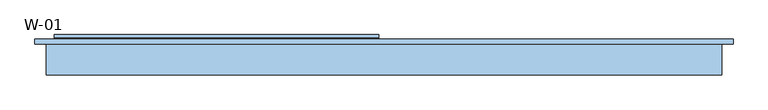
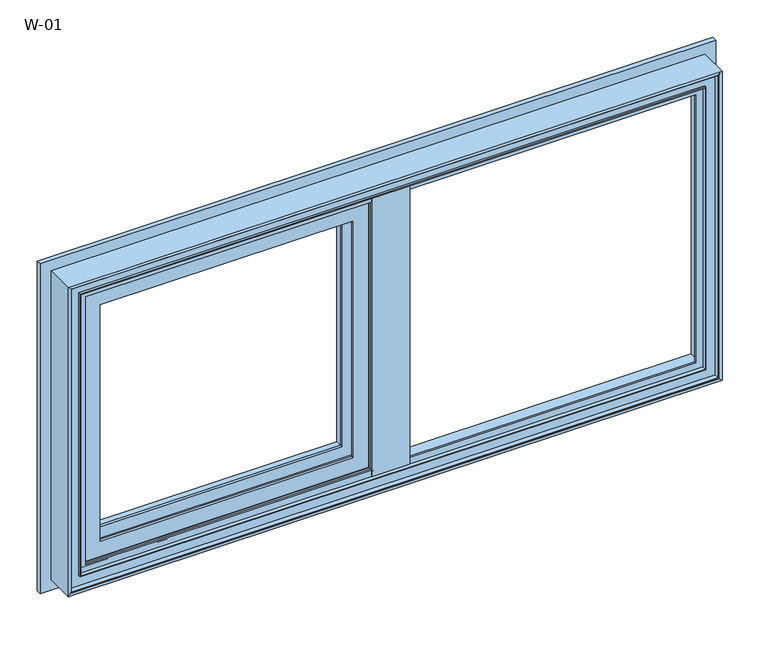
"""IFC4 building model written with IfcOpenShell, lengths in millimetres: window geometry, W-01."""

from ifc_helpers import new_model, si_unit, frame, origin, place, context, project, spatial, polyline, ellipse_curve, outline, extrude, source, transform, mapped, element, save
from ifc_brep_helpers import plane_surface, cylinder_surface, revolved_surface, advanced_brep


def w_01_d34992f1(model_context):
    return source(origin(), model_context, "Body", "SolidModel", [
        advanced_brep(
        [(-9.1411349, 121.9999121, 1985.8588651), (-9.1411349, 121.9999121, 1414.1411349), (-9.1411349, 126.5999121, 1414.1411349), (-9.1411349, 126.5999121, 1985.8588651), (-585.8588651, 126.5999121, 1985.8588651), (-585.8588651, 126.5999121, 1414.1411349), (-45.6411349, 126.5999121, 1949.3588651), (-549.3588651, 126.5999121, 1949.3588651), (-549.3588651, 126.5999121, 1450.6411349), (-45.6411349, 126.5999121, 1450.6411349), (-585.8588651, 121.9999121, 1414.1411349), (-585.8588651, 121.9999121, 1985.8588651), (-583.7537664, 121.9999121, 1983.7537664), (-11.2462336, 121.9999121, 1983.7537664), (-11.2462336, 121.9999121, 1416.2462336), (-583.7537664, 121.9999121, 1416.2462336), (-8.5362852, 119.9946866, 1986.4637148), (-8.5362852, 119.9946866, 1413.5362852), (-586.4637148, 119.9946866, 1413.5362852), (-7.7913127, 118.9999537, 1987.2086873), (-7.7913127, 118.9999537, 1412.7913127), (-587.2086873, 118.9999537, 1412.7913127), (-587.2086873, 118.9999537, 1987.2086873), (-568.3588678, 118.9999537, 1968.3588678), (-26.6411322, 118.9999537, 1968.3588678), (-26.6411322, 118.9999537, 1431.6411322), (-568.3588678, 118.9999537, 1431.6411322), (-26.6411322, 76.0999005, 1968.3588678), (-26.6411322, 76.0999005, 1431.6411322), (-568.3588678, 76.0999005, 1431.6411322), (-27.1411321, 75.5999006, 1967.8588679), (-27.1411321, 75.5999006, 1432.1411321), (-567.8588679, 75.5999006, 1432.1411321), (-26.855777, 74.6078271, 1968.144223), (-26.855777, 74.6078271, 1431.855777), (-568.144223, 74.6078271, 1431.855777), (-29.5652096, 72.6034445, 1965.4347904), (-29.5652096, 72.6034445, 1434.5652096), (-565.4347904, 72.6034445, 1434.5652096), (-565.4347904, 72.6034445, 1965.4347904), (-562.0349667, 72.6034445, 1962.0349667), (-32.9650333, 72.6034445, 1962.0349667), (-32.9650333, 72.6034445, 1437.9650333), (-562.0349667, 72.6034445, 1437.9650333), (-36.1945677, 74.6078271, 1958.8054323), (-36.1945677, 74.6078271, 1441.1945677), (-558.8054323, 74.6078271, 1441.1945677), (-36.659424, 75.5999039, 1958.340576), (-36.659424, 75.5999039, 1441.659424), (-558.340576, 75.5999039, 1441.659424), (-558.340576, 75.5999039, 1958.340576), (-529.3588709, 75.5999039, 1929.3588709), (-65.6411291, 75.5999039, 1929.3588709), (-65.6411291, 75.5999039, 1470.6411291), (-529.3588709, 75.5999039, 1470.6411291), (-65.6411291, 80.1999039, 1929.3588709), (-65.6411291, 80.1999039, 1470.6411291), (-529.3588709, 80.1999039, 1470.6411291), (-549.3588651, 80.1999039, 1949.3588651), (-45.6411349, 80.1999039, 1949.3588651), (-45.6411349, 80.1999039, 1450.6411349), (-549.3588651, 80.1999039, 1450.6411349), (-529.3588709, 80.1999039, 1929.3588709), (-586.4637148, 119.9946866, 1986.4637148), (-568.3588678, 76.0999005, 1968.3588678), (-567.8588679, 75.5999006, 1967.8588679), (-568.144223, 74.6078271, 1968.144223), (-558.8054323, 74.6078271, 1958.8054323)],
        [
            (0, 1),
            (1, 2),
            (2, 3),
            (3, 0),
            (4, 3),
            (2, 5),
            (5, 4),
            (6, 7),
            (7, 8),
            (8, 9),
            (9, 6),
            (1, 10),
            (10, 5),
            (0, 11),
            (11, 10),
            (12, 13),
            (13, 14),
            (14, 15),
            (15, 12),
            (16, 17),
            (17, 14, ellipse_curve(frame((-7.4151568, 124.3436113, 1412.4151568), z_axis=(-0.7071067811865475, 0.0, -0.7071067811865475), x_axis=(0.7071067811865474, 0.0, -0.7071067811865476)), 6.3513896, 4.4911107)),
            (13, 16, ellipse_curve(frame((-7.4151568, 124.3436113, 1987.5848432), z_axis=(-0.7071067811865475, 0.0, 0.7071067811865475), x_axis=(-0.7071067811865474, 0.0, -0.7071067811865476)), 6.3513896, 4.4911107)),
            (17, 18),
            (18, 15, ellipse_curve(frame((-587.5848432, 124.3436113, 1412.4151568), z_axis=(-0.7071067811865475, 0.0, 0.7071067811865475), x_axis=(-0.7071067811865476, 0.0, -0.7071067811865474)), 6.3513896, 4.4911107)),
            (19, 20),
            (20, 17),
            (16, 19),
            (20, 21),
            (21, 18),
            (19, 22),
            (22, 21),
            (23, 24),
            (24, 25),
            (25, 26),
            (26, 23),
            (27, 28),
            (28, 25),
            (24, 27),
            (28, 29),
            (29, 26),
            (30, 31),
            (31, 28, ellipse_curve(frame((-27.1411321, 76.0999005, 1432.1411321), z_axis=(0.7071067811865475, 0.0, 0.7071067811865475), x_axis=(-0.7071067811865474, 0.0, 0.7071067811865476)), 0.7071066, 0.4999999)),
            (27, 30, ellipse_curve(frame((-27.1411321, 76.0999005, 1967.8588679), z_axis=(0.7071067811865475, 0.0, -0.7071067811865475), x_axis=(0.7071067811865474, 0.0, 0.7071067811865476)), 0.7071066, 0.4999999)),
            (31, 32),
            (32, 29, ellipse_curve(frame((-567.8588679, 76.0999005, 1432.1411321), z_axis=(0.7071067811865475, 0.0, -0.7071067811865475), x_axis=(0.7071067811865476, 0.0, 0.7071067811865474)), 0.7071066, 0.4999999)),
            (33, 34),
            (34, 31),
            (30, 33),
            (34, 35),
            (35, 32),
            (36, 37),
            (37, 34, ellipse_curve(frame((-25.7346486, 70.2589024, 1430.7346486), z_axis=(-0.7071067811865475, 0.0, -0.7071067811865475), x_axis=(0.7071067811865474, 0.0, -0.7071067811865476)), 6.3513896, 4.4911107)),
            (33, 36, ellipse_curve(frame((-25.7346486, 70.2589024, 1969.2653514), z_axis=(-0.7071067811865475, 0.0, 0.7071067811865475), x_axis=(-0.7071067811865474, 0.0, -0.7071067811865476)), 6.3513896, 4.4911107)),
            (37, 38),
            (38, 35, ellipse_curve(frame((-569.2653514, 70.2589024, 1430.7346486), z_axis=(-0.7071067811865475, 0.0, 0.7071067811865475), x_axis=(-0.7071067811865476, 0.0, -0.7071067811865474)), 6.3513896, 4.4911107)),
            (36, 39),
            (39, 38),
            (40, 41),
            (41, 42),
            (42, 43),
            (43, 40),
            (44, 45),
            (45, 42, ellipse_curve(frame((-36.4459086, 70.5988943, 1441.4459086), z_axis=(-0.7071067811865475, 0.0, -0.7071067811865475), x_axis=(0.7071067811865474, 0.0, -0.7071067811865476)), 5.6806187, 4.016804)),
            (41, 44, ellipse_curve(frame((-36.4459086, 70.5988943, 1958.5540914), z_axis=(-0.7071067811865475, 0.0, 0.7071067811865475), x_axis=(-0.7071067811865474, 0.0, -0.7071067811865476)), 5.6806187, 4.016804)),
            (45, 46),
            (46, 43, ellipse_curve(frame((-558.5540914, 70.5988943, 1441.4459086), z_axis=(-0.7071067811865475, 0.0, 0.7071067811865475), x_axis=(-0.7071067811865476, 0.0, -0.7071067811865474)), 5.6806187, 4.016804)),
            (47, 48),
            (48, 45),
            (44, 47),
            (48, 49),
            (49, 46),
            (47, 50),
            (50, 49),
            (51, 52),
            (52, 53),
            (53, 54),
            (54, 51),
            (55, 56),
            (56, 53),
            (52, 55),
            (56, 57),
            (57, 54),
            (58, 59),
            (59, 60),
            (60, 61),
            (61, 58),
            (55, 62),
            (62, 57),
            (9, 60),
            (59, 6),
            (8, 61),
            (11, 4),
            (18, 63),
            (63, 12, ellipse_curve(frame((-587.5848432, 124.3436113, 1987.5848432), z_axis=(0.7071067811865475, 0.0, 0.7071067811865475), x_axis=(-0.7071067811865474, 0.0, 0.7071067811865476)), 6.3513896, 4.4911107)),
            (22, 63),
            (29, 64),
            (64, 23),
            (32, 65),
            (65, 64, ellipse_curve(frame((-567.8588679, 76.0999005, 1967.8588679), z_axis=(-0.7071067811865475, 0.0, -0.7071067811865475), x_axis=(0.7071067811865474, 0.0, -0.7071067811865476)), 0.7071066, 0.4999999)),
            (35, 66),
            (66, 65),
            (39, 66, ellipse_curve(frame((-569.2653514, 70.2589024, 1969.2653514), z_axis=(0.7071067811865475, 0.0, 0.7071067811865475), x_axis=(-0.7071067811865474, 0.0, 0.7071067811865476)), 6.3513896, 4.4911107)),
            (46, 67),
            (67, 40, ellipse_curve(frame((-558.5540914, 70.5988943, 1958.5540914), z_axis=(0.7071067811865475, 0.0, 0.7071067811865475), x_axis=(-0.7071067811865474, 0.0, 0.7071067811865476)), 5.6806187, 4.016804)),
            (50, 67),
            (62, 51),
            (7, 58),
            (63, 16),
            (64, 27),
            (65, 30),
            (66, 33),
            (67, 44),
        ],
        [
            plane_surface(frame((-9.1411349, 126.5999121, 1985.8588651), z_axis=(1.0, 0.0, 0.0), x_axis=(0.0, 0.0, -1.0))),
            plane_surface(frame((-549.3588651, 126.5999121, 1450.6411349), z_axis=(0.0, 1.0, 0.0), x_axis=(0.0, 0.0, 1.0))),
            plane_surface(frame((-9.1411349, 126.5999121, 1414.1411349), z_axis=(0.0, 0.0, -1.0), x_axis=(-1.0, 0.0, 0.0))),
            plane_surface(frame((-585.8588651, 121.9999121, 1414.1411349), z_axis=(0.0, -1.0, 0.0), x_axis=(0.0, 0.0, 1.0))),
            revolved_surface(polyline([(-2.9240461, 124.3436113, 1407.9240461438822), (-2.9240461, 124.3436113, 1992.0759538561178)]), (-7.4151568, 124.3436113, 2000.0), (0.0, 0.0, -1.0)),
            revolved_surface(polyline([(-592.0759538561177, 124.3436113, 1407.9240461), (-2.924046143882287, 124.3436113, 1407.9240461)]), (5.0, 124.3436113, 1412.4151568), (-1.0, 0.0, 0.0)),
            plane_surface(frame((-8.5362852, 119.9946866, 1986.4637148), z_axis=(0.8004158635848707, 0.5994451145198247, 0.0), x_axis=(0.0, 0.0, -1.0))),
            plane_surface(frame((-8.5362852, 119.9946866, 1413.5362852), z_axis=(0.0, 0.5994451145198296, -0.800415863584867), x_axis=(-1.0, 0.0, 0.0))),
            plane_surface(frame((-587.2086873, 118.9999537, 1412.7913127), z_axis=(0.0, -1.0, 0.0), x_axis=(0.0, 0.0, 1.0))),
            plane_surface(frame((-26.6411322, 118.9999537, 1968.3588678), z_axis=(1.0, 0.0, 0.0), x_axis=(0.0, 0.0, -1.0))),
            plane_surface(frame((-26.6411322, 118.9999537, 1431.6411322), z_axis=(0.0, 0.0, -1.0), x_axis=(-1.0, 0.0, 0.0))),
            cylinder_surface(frame((-27.1411321, 76.0999005, 2000.0), z_axis=(0.0, 0.0, 1.0), x_axis=(1.0, 0.0, 0.0)), 0.4999999),
            cylinder_surface(frame((5.0, 76.0999005, 1432.1411321), z_axis=(1.0, 0.0, 0.0), x_axis=(0.0, 0.0, -1.0)), 0.4999999),
            plane_surface(frame((-27.1411321, 75.5999006, 1967.8588679), z_axis=(0.9610348327667624, 0.27642729642522856, 0.0), x_axis=(0.0, 0.0, -1.0))),
            plane_surface(frame((-27.1411321, 75.5999006, 1432.1411321), z_axis=(0.0, 0.27642729642523445, -0.9610348327667607), x_axis=(-1.0, 0.0, 0.0))),
            revolved_surface(polyline([(-21.2435379, 70.2589024, 1426.243537943882), (-21.2435379, 70.2589024, 1973.756462056118)]), (-25.7346486, 70.2589024, 2000.0), (0.0, 0.0, -1.0)),
            revolved_surface(polyline([(-573.7564620561177, 70.2589024, 1426.2435378999999), (-21.243537943882288, 70.2589024, 1426.2435378999999)]), (5.0, 70.2589024, 1430.7346486), (-1.0, 0.0, 0.0)),
            plane_surface(frame((-565.4347904, 72.6034445, 1434.5652096), z_axis=(0.0, -1.0, 0.0), x_axis=(0.0, 0.0, 1.0))),
            revolved_surface(polyline([(-32.4291046, 70.5988943, 1437.4291045958948), (-32.4291046, 70.5988943, 1962.5708954041052)]), (-36.4459086, 70.5988943, 2000.0), (0.0, 0.0, -1.0)),
            revolved_surface(polyline([(-562.570895404105, 70.5988943, 1437.4291045999998), (-32.42910459589489, 70.5988943, 1437.4291045999998)]), (5.0, 70.5988943, 1441.4459086), (-1.0, 0.0, 0.0)),
            plane_surface(frame((-36.1945677, 74.6078271, 1958.8054323), z_axis=(-0.9055219642805072, -0.4242993898246519, 0.0), x_axis=(0.0, 0.0, -1.0))),
            plane_surface(frame((-36.1945677, 74.6078271, 1441.1945677), z_axis=(0.0, -0.4242993898246574, 0.9055219642805047), x_axis=(-1.0, 0.0, 0.0))),
            plane_surface(frame((-558.340576, 75.5999039, 1441.659424), z_axis=(0.0, -1.0, 0.0), x_axis=(0.0, 0.0, 1.0))),
            plane_surface(frame((-65.6411291, 75.5999039, 1929.3588709), z_axis=(-1.0, 0.0, 0.0), x_axis=(0.0, 0.0, -1.0))),
            plane_surface(frame((-65.6411291, 75.5999039, 1470.6411291), z_axis=(0.0, 0.0, 1.0), x_axis=(-1.0, 0.0, 0.0))),
            plane_surface(frame((-529.3588709, 80.1999039, 1470.6411291), z_axis=(0.0, 1.0, 0.0), x_axis=(0.0, 0.0, 1.0))),
            plane_surface(frame((-45.6411349, 80.1999039, 1949.3588651), z_axis=(-1.0, 0.0, 0.0), x_axis=(0.0, 0.0, -1.0))),
            plane_surface(frame((-45.6411349, 80.1999039, 1450.6411349), z_axis=(0.0, 0.0, 1.0), x_axis=(-1.0, 0.0, 0.0))),
            plane_surface(frame((-585.8588651, 126.5999121, 1414.1411349), z_axis=(-1.0, 0.0, 0.0), x_axis=(0.0, 0.0, 1.0))),
            revolved_surface(polyline([(-592.0759539000001, 124.3436113, 1992.0759538561178), (-592.0759539000001, 124.3436113, 1407.9240461438822)]), (-587.5848432, 124.3436113, 1400.0), (0.0, 0.0, 1.0)),
            plane_surface(frame((-586.4637148, 119.9946866, 1413.5362852), z_axis=(-0.8004158635848634, 0.5994451145198345, 0.0), x_axis=(0.0, 0.0, 1.0))),
            plane_surface(frame((-568.3588678, 118.9999537, 1431.6411322), z_axis=(-1.0, 0.0, 0.0), x_axis=(0.0, 0.0, 1.0))),
            cylinder_surface(frame((-567.8588679, 76.0999005, 1400.0), z_axis=(0.0, 0.0, -1.0), x_axis=(-1.0, 0.0, 0.0)), 0.4999999),
            plane_surface(frame((-567.8588679, 75.5999006, 1432.1411321), z_axis=(-0.961034832766759, 0.27642729642524033, 0.0), x_axis=(0.0, 0.0, 1.0))),
            revolved_surface(polyline([(-573.7564621, 70.2589024, 1973.756462056118), (-573.7564621, 70.2589024, 1426.243537943882)]), (-569.2653514, 70.2589024, 1400.0), (0.0, 0.0, 1.0)),
            revolved_surface(polyline([(-562.5708953999999, 70.5988943, 1962.5708954041052), (-562.5708953999999, 70.5988943, 1437.4291045958948)]), (-558.5540914, 70.5988943, 1400.0), (0.0, 0.0, 1.0)),
            plane_surface(frame((-558.8054323, 74.6078271, 1441.1945677), z_axis=(0.9055219642805021, -0.424299389824663, 0.0), x_axis=(0.0, 0.0, 1.0))),
            plane_surface(frame((-529.3588709, 75.5999039, 1470.6411291), z_axis=(1.0, 0.0, 0.0), x_axis=(0.0, 0.0, 1.0))),
            plane_surface(frame((-549.3588651, 80.1999039, 1450.6411349), z_axis=(1.0, 0.0, 0.0), x_axis=(0.0, 0.0, 1.0))),
            plane_surface(frame((-585.8588651, 126.5999121, 1985.8588651), z_axis=(0.0, 0.0, 1.0), x_axis=(1.0, 0.0, 0.0))),
            revolved_surface(polyline([(-2.924046143882265, 124.3436113, 1992.0759539), (-592.0759538561177, 124.3436113, 1992.0759539)]), (-600.0, 124.3436113, 1987.5848432), (1.0, 0.0, 0.0)),
            plane_surface(frame((-586.4637148, 119.9946866, 1986.4637148), z_axis=(0.0, 0.5994451145198296, 0.800415863584867), x_axis=(1.0, 0.0, 0.0))),
            plane_surface(frame((-568.3588678, 118.9999537, 1968.3588678), z_axis=(0.0, 0.0, 1.0), x_axis=(1.0, 0.0, 0.0))),
            cylinder_surface(frame((-600.0, 76.0999005, 1967.8588679), z_axis=(-1.0, 0.0, 0.0), x_axis=(0.0, 0.0, 1.0)), 0.4999999),
            plane_surface(frame((-567.8588679, 75.5999006, 1967.8588679), z_axis=(0.0, 0.27642729642523445, 0.9610348327667607), x_axis=(1.0, 0.0, 0.0))),
            revolved_surface(polyline([(-21.243537943882302, 70.2589024, 1973.7564621000001), (-573.7564620561177, 70.2589024, 1973.7564621000001)]), (-600.0, 70.2589024, 1969.2653514), (1.0, 0.0, 0.0)),
            revolved_surface(polyline([(-32.429104595894955, 70.5988943, 1962.5708954000002), (-562.570895404105, 70.5988943, 1962.5708954000002)]), (-600.0, 70.5988943, 1958.5540914), (1.0, 0.0, 0.0)),
            plane_surface(frame((-558.8054323, 74.6078271, 1958.8054323), z_axis=(0.0, -0.4242993898246574, -0.9055219642805047), x_axis=(1.0, 0.0, 0.0))),
            plane_surface(frame((-529.3588709, 75.5999039, 1929.3588709), z_axis=(0.0, 0.0, -1.0), x_axis=(1.0, 0.0, 0.0))),
            plane_surface(frame((-549.3588651, 80.1999039, 1949.3588651), z_axis=(0.0, 0.0, -1.0), x_axis=(1.0, 0.0, 0.0))),
        ],
        [
            (0, [[1, 2, 3, 4]]),
            (1, [[5, -3, 6, 7], [8, 9, 10, 11]]),
            (2, [[12, 13, -6, -2]]),
            (3, [[14, 15, -12, -1], [16, 17, 18, 19]]),
            (4, [[20, 21, -17, 22]]),
            (5, [[23, 24, -18, -21]]),
            (6, [[25, 26, -20, 27]]),
            (7, [[28, 29, -23, -26]]),
            (8, [[30, 31, -28, -25], [32, 33, 34, 35]]),
            (9, [[36, 37, -33, 38]]),
            (10, [[39, 40, -34, -37]]),
            (11, [[41, 42, -36, 43]]),
            (12, [[44, 45, -39, -42]]),
            (13, [[46, 47, -41, 48]]),
            (14, [[49, 50, -44, -47]]),
            (15, [[51, 52, -46, 53]]),
            (16, [[54, 55, -49, -52]]),
            (17, [[56, 57, -54, -51], [58, 59, 60, 61]]),
            (18, [[62, 63, -59, 64]]),
            (19, [[65, 66, -60, -63]]),
            (20, [[67, 68, -62, 69]]),
            (21, [[70, 71, -65, -68]]),
            (22, [[72, 73, -70, -67], [74, 75, 76, 77]]),
            (23, [[78, 79, -75, 80]]),
            (24, [[81, 82, -76, -79]]),
            (25, [[83, 84, 85, 86], [87, 88, -81, -78]]),
            (26, [[-11, 89, -84, 90]]),
            (27, [[-10, 91, -85, -89]]),
            (28, [[-15, 92, -7, -13]]),
            (29, [[93, 94, -19, -24]]),
            (30, [[-31, 95, -93, -29]]),
            (31, [[96, 97, -35, -40]]),
            (32, [[98, 99, -96, -45]]),
            (33, [[100, 101, -98, -50]]),
            (34, [[-57, 102, -100, -55]]),
            (35, [[103, 104, -61, -66]]),
            (36, [[-73, 105, -103, -71]]),
            (37, [[-88, 106, -77, -82]]),
            (38, [[-9, 107, -86, -91]]),
            (39, [[-14, -4, -5, -92]]),
            (40, [[108, -22, -16, -94]]),
            (41, [[-30, -27, -108, -95]]),
            (42, [[109, -38, -32, -97]]),
            (43, [[110, -43, -109, -99]]),
            (44, [[111, -48, -110, -101]]),
            (45, [[-56, -53, -111, -102]]),
            (46, [[112, -64, -58, -104]]),
            (47, [[-72, -69, -112, -105]]),
            (48, [[-87, -80, -74, -106]]),
            (49, [[-8, -90, -83, -107]]),
        ],
    ),
        advanced_brep(
        [(-529.3588651, 115.322822, 1929.3588651), (-527.2163686, 107.9927198, 1927.2163686), (-527.2163686, 107.9927198, 1472.7836314), (-529.3588651, 115.322822, 1470.6411349), (-529.3588651, 126.5999122, 1929.3588651), (-529.3588651, 126.5999122, 1470.6411349), (-549.3588651, 107.9927198, 1949.3588651), (-549.3588651, 126.5999122, 1949.3588651), (-549.3588651, 126.5999122, 1450.6411349), (-549.3588651, 107.9927198, 1450.6411349), (-67.7836127, 107.9927198, 1472.7836314), (-65.6411161, 115.322822, 1470.6411349), (-65.6411161, 126.5999122, 1470.6411349), (-45.6411161, 126.5999122, 1450.6411349), (-45.6411161, 107.9927198, 1450.6411349), (-67.7836127, 107.9927198, 1927.2163686), (-65.6411161, 115.322822, 1929.3588651), (-65.6411161, 126.5999122, 1929.3588651), (-45.6411161, 126.5999122, 1949.3588651), (-45.6411161, 107.9927198, 1949.3588651)],
        [
            (0, 1, ellipse_curve(frame((-509.7514534, 117.0756581, 1909.7514534), z_axis=(0.7071067811865475, 0.0, 0.7071067811865475), x_axis=(0.7071067811865474, 0.0, -0.7071067811865476)), 27.839649, 19.6856046)),
            (1, 2),
            (2, 3, ellipse_curve(frame((-509.7514534, 117.0756581, 1490.2485466), z_axis=(0.7071067811865475, 0.0, -0.7071067811865475), x_axis=(-0.7071067811865474, 0.0, -0.7071067811865476)), 27.839649, 19.6856046)),
            (3, 0),
            (4, 0),
            (3, 5),
            (5, 4),
            (6, 7),
            (7, 8),
            (8, 9),
            (9, 6),
            (2, 10),
            (10, 11, ellipse_curve(frame((-85.2485279, 117.0756581, 1490.2485466), z_axis=(0.7071067811865475, 0.0, 0.7071067811865475), x_axis=(0.7071067811865476, 0.0, -0.7071067811865474)), 27.839649, 19.6856046)),
            (11, 3),
            (11, 12),
            (12, 5),
            (8, 13),
            (13, 14),
            (14, 9),
            (10, 15),
            (15, 16, ellipse_curve(frame((-85.2485279, 117.0756581, 1909.7514534), z_axis=(-0.7071067811865475, 0.0, 0.7071067811865475), x_axis=(0.7071067811865474, 0.0, 0.7071067811865476)), 27.839649, 19.6856046)),
            (16, 11),
            (16, 17),
            (17, 12),
            (13, 18),
            (18, 19),
            (19, 14),
            (19, 6),
            (1, 15),
            (0, 16),
            (4, 17),
            (7, 18),
        ],
        [
            revolved_surface(polyline([(-529.437058, 117.0756581, 1470.5629420062469), (-529.437058, 117.0756581, 1929.4370579937533)]), (-509.7514534, 117.0756581, 1949.3588651), (0.0, 0.0, -1.0)),
            plane_surface(frame((-529.3588651, 115.322822, 1929.3588651), z_axis=(1.0, 0.0, 0.0), x_axis=(0.0, 0.0, -1.0))),
            plane_surface(frame((-549.3588651, 126.5999122, 1949.3588651), z_axis=(-1.0, 0.0, 0.0), x_axis=(0.0, 0.0, -1.0))),
            revolved_surface(polyline([(-65.56292330624672, 117.0756581, 1470.562942), (-529.4370579937533, 117.0756581, 1470.562942)]), (-549.3588651, 117.0756581, 1490.2485466), (1.0, 0.0, 0.0)),
            plane_surface(frame((-529.3588651, 115.322822, 1470.6411349), z_axis=(0.0, 0.0, 1.0), x_axis=(1.0, 0.0, 0.0))),
            plane_surface(frame((-549.3588651, 126.5999122, 1450.6411349), z_axis=(0.0, 0.0, -1.0), x_axis=(1.0, 0.0, 0.0))),
            revolved_surface(polyline([(-65.5629233, 117.0756581, 1929.4370579937531), (-65.5629233, 117.0756581, 1470.5629420062469)]), (-85.2485279, 117.0756581, 1450.6411349), (0.0, 0.0, 1.0)),
            plane_surface(frame((-65.6411161, 115.322822, 1470.6411349), z_axis=(-1.0, 0.0, 0.0), x_axis=(0.0, 0.0, 1.0))),
            plane_surface(frame((-45.6411161, 126.5999122, 1450.6411349), z_axis=(1.0, 0.0, 0.0), x_axis=(0.0, 0.0, 1.0))),
            plane_surface(frame((-45.6411161, 107.9927198, 1949.3588651), z_axis=(0.0, -1.0, 0.0), x_axis=(-1.0, 0.0, 0.0))),
            revolved_surface(polyline([(-529.4370579937533, 117.0756581, 1929.437058), (-65.56292330624672, 117.0756581, 1929.437058)]), (-45.6411161, 117.0756581, 1909.7514534), (-1.0, 0.0, 0.0)),
            plane_surface(frame((-65.6411161, 115.322822, 1929.3588651), z_axis=(0.0, 0.0, -1.0), x_axis=(-1.0, 0.0, 0.0))),
            plane_surface(frame((-65.6411161, 126.5999122, 1929.3588651), z_axis=(0.0, 1.0, 0.0), x_axis=(-1.0, 0.0, 0.0))),
            plane_surface(frame((-45.6411161, 126.5999122, 1949.3588651), z_axis=(0.0, 0.0, 1.0), x_axis=(-1.0, 0.0, 0.0))),
        ],
        [
            (0, [[1, 2, 3, 4]]),
            (1, [[5, -4, 6, 7]]),
            (2, [[8, 9, 10, 11]]),
            (3, [[-3, 12, 13, 14]]),
            (4, [[-6, -14, 15, 16]]),
            (5, [[-10, 17, 18, 19]]),
            (6, [[-13, 20, 21, 22]]),
            (7, [[-15, -22, 23, 24]]),
            (8, [[-18, 25, 26, 27]]),
            (9, [[-19, -27, 28, -11], [29, -20, -12, -2]]),
            (10, [[-21, -29, -1, 30]]),
            (11, [[-23, -30, -5, 31]]),
            (12, [[32, -25, -17, -9], [-16, -24, -31, -7]]),
            (13, [[-26, -32, -8, -28]]),
        ],
    ),
        extrude(outline(polyline([(-35.0000348, 68.9990172), (-35.0000348, 72.5990172), (-15.0000187, 72.5990172), (-15.0000187, 118.9999375), (15.0000187, 118.9999375), (15.0000187, 72.5990172), (35.0000026, 72.5990172), (35.0000026, 68.9990172), (-35.0000348, 68.9990172)])), frame((0.0, 0.0, 1420.0), z_axis=(0.0, 0.0, 1.0), x_axis=(1.0, 0.0, 0.0)), (0.0, 0.0, 1.0), 560.0),
        advanced_brep(
        [(620.000038, 110.0, 2020.000038), (620.000038, 110.0, 1379.999962), (620.000038, 118.9999375, 1379.999962), (620.000038, 118.9999375, 2020.000038), (-620.000038, 118.9999375, 2020.000038), (-620.000038, 118.9999375, 1379.999962), (580.0000396, 118.9999375, 1980.0000396), (-580.0000396, 118.9999375, 1980.0000396), (-580.0000396, 118.9999375, 1419.9999604), (580.0000396, 118.9999375, 1419.9999604), (-620.000038, 110.0, 1379.999962), (-620.000038, 110.0, 2020.000038), (-600.0, 110.0, 2000.0), (600.0, 110.0, 2000.0), (600.0, 110.0, 1400.0), (-600.0, 110.0, 1400.0), (600.0, 54.8507969, 2000.0), (600.0, 54.8507969, 1400.0), (-600.0, 54.8507969, 1400.0), (595.0001465, 54.8506112, 1995.0001465), (595.0001465, 54.8506112, 1404.9998535), (-595.0001465, 54.8506112, 1404.9998535), (595.0001465, 56.5920405, 1995.0001465), (595.0001465, 56.5920405, 1404.9998535), (-595.0001465, 56.5920405, 1404.9998535), (593.8001794, 56.5908144, 1993.8001794), (593.8001794, 56.5908144, 1406.1998206), (-593.8001794, 56.5908144, 1406.1998206), (593.8001794, 65.9999813, 1993.8001794), (593.8001794, 65.9999813, 1406.1998206), (-593.8001794, 65.9999813, 1406.1998206), (-593.8001794, 65.9999813, 1993.8001794), (-574.2001794, 65.9999813, 1974.2001794), (574.2001794, 65.9999813, 1974.2001794), (574.2001794, 65.9999813, 1425.7998206), (-574.2001794, 65.9999813, 1425.7998206), (574.2001794, 61.9999728, 1974.2001794), (574.2001794, 61.9999728, 1425.7998206), (-574.2001794, 61.9999728, 1425.7998206), (-574.2001794, 61.9999728, 1974.2001794), (-572.6156704, 61.9999728, 1972.6156704), (572.6156704, 61.9999728, 1972.6156704), (572.6156704, 61.9999728, 1427.3843296), (-572.6156704, 61.9999728, 1427.3843296), (572.8755675, 68.9999299, 1972.8755675), (572.8755675, 68.9999299, 1427.1244325), (-572.8755675, 68.9999299, 1427.1244325), (-572.8755675, 68.9999299, 1972.8755675), (-560.0002274, 68.9999299, 1960.0002274), (560.0002274, 68.9999299, 1960.0002274), (560.0002274, 68.9999299, 1439.9997726), (-560.0002274, 68.9999299, 1439.9997726), (560.0002274, 72.5999758, 1960.0002274), (560.0002274, 72.5999758, 1439.9997726), (-560.0002274, 72.5999758, 1439.9997726), (-580.0000396, 72.5999758, 1980.0000396), (580.0000396, 72.5999758, 1980.0000396), (580.0000396, 72.5999758, 1419.9999604), (-580.0000396, 72.5999758, 1419.9999604), (-560.0002274, 72.5999758, 1960.0002274), (-600.0, 54.8507969, 2000.0), (-595.0001465, 54.8506112, 1995.0001465), (-595.0001465, 56.5920405, 1995.0001465), (-593.8001794, 56.5908144, 1993.8001794)],
        [
            (0, 1),
            (1, 2),
            (2, 3),
            (3, 0),
            (4, 3),
            (2, 5),
            (5, 4),
            (6, 7),
            (7, 8),
            (8, 9),
            (9, 6),
            (1, 10),
            (10, 5),
            (0, 11),
            (11, 10),
            (12, 13),
            (13, 14),
            (14, 15),
            (15, 12),
            (16, 17),
            (17, 14),
            (13, 16),
            (17, 18),
            (18, 15),
            (19, 20),
            (20, 17, ellipse_curve(frame((597.5001465, 52.8785929, 1402.4998535), z_axis=(-0.7071067811865475, 0.0, -0.7071067811865475), x_axis=(0.7071067811865474, 0.0, -0.7071067811865476)), 4.5030781, 3.184157)),
            (16, 19, ellipse_curve(frame((597.5001465, 52.8785929, 1997.5001465), z_axis=(-0.7071067811865475, 0.0, 0.7071067811865475), x_axis=(-0.7071067811865474, 0.0, -0.7071067811865476)), 4.5030781, 3.184157)),
            (20, 21),
            (21, 18, ellipse_curve(frame((-597.5001465, 52.8785929, 1402.4998535), z_axis=(-0.7071067811865475, 0.0, 0.7071067811865475), x_axis=(-0.7071067811865476, 0.0, -0.7071067811865474)), 4.5030781, 3.184157)),
            (22, 23),
            (23, 20),
            (19, 22),
            (23, 24),
            (24, 21),
            (25, 26),
            (26, 23, ellipse_curve(frame((594.4001534, 56.6007652, 1405.5998466), z_axis=(0.7071067811865475, 0.0, 0.7071067811865475), x_axis=(-0.7071067811865474, 0.0, 0.7071067811865476)), 0.8486081, 0.6000566)),
            (22, 25, ellipse_curve(frame((594.4001534, 56.6007652, 1994.4001534), z_axis=(0.7071067811865475, 0.0, -0.7071067811865475), x_axis=(0.7071067811865474, 0.0, 0.7071067811865476)), 0.8486081, 0.6000566)),
            (26, 27),
            (27, 24, ellipse_curve(frame((-594.4001534, 56.6007652, 1405.5998466), z_axis=(0.7071067811865475, 0.0, -0.7071067811865475), x_axis=(0.7071067811865476, 0.0, 0.7071067811865474)), 0.8486081, 0.6000566)),
            (28, 29),
            (29, 26),
            (25, 28),
            (29, 30),
            (30, 27),
            (28, 31),
            (31, 30),
            (32, 33),
            (33, 34),
            (34, 35),
            (35, 32),
            (36, 37),
            (37, 34),
            (33, 36),
            (37, 38),
            (38, 35),
            (36, 39),
            (39, 38),
            (40, 41),
            (41, 42),
            (42, 43),
            (43, 40),
            (44, 45),
            (45, 42),
            (41, 44),
            (45, 46),
            (46, 43),
            (44, 47),
            (47, 46),
            (48, 49),
            (49, 50),
            (50, 51),
            (51, 48),
            (52, 53),
            (53, 50),
            (49, 52),
            (53, 54),
            (54, 51),
            (55, 56),
            (56, 57),
            (57, 58),
            (58, 55),
            (52, 59),
            (59, 54),
            (9, 57),
            (56, 6),
            (8, 58),
            (11, 4),
            (18, 60),
            (60, 12),
            (21, 61),
            (61, 60, ellipse_curve(frame((-597.5001465, 52.8785929, 1997.5001465), z_axis=(0.7071067811865475, 0.0, 0.7071067811865475), x_axis=(-0.7071067811865474, 0.0, 0.7071067811865476)), 4.5030781, 3.184157)),
            (24, 62),
            (62, 61),
            (27, 63),
            (63, 62, ellipse_curve(frame((-594.4001534, 56.6007652, 1994.4001534), z_axis=(-0.7071067811865475, 0.0, -0.7071067811865475), x_axis=(0.7071067811865474, 0.0, -0.7071067811865476)), 0.8486081, 0.6000566)),
            (31, 63),
            (39, 32),
            (47, 40),
            (59, 48),
            (7, 55),
            (60, 16),
            (61, 19),
            (62, 22),
            (63, 25),
        ],
        [
            plane_surface(frame((620.000038, 118.9999375, 2020.000038), z_axis=(1.0, 0.0, 0.0), x_axis=(0.0, 0.0, -1.0))),
            plane_surface(frame((-580.0000396, 118.9999375, 1419.9999604), z_axis=(0.0, 1.0, 0.0), x_axis=(0.0, 0.0, 1.0))),
            plane_surface(frame((620.000038, 118.9999375, 1379.999962), z_axis=(0.0, 0.0, -1.0), x_axis=(-1.0, 0.0, 0.0))),
            plane_surface(frame((-620.000038, 110.0, 1379.999962), z_axis=(0.0, -1.0, 0.0), x_axis=(0.0, 0.0, 1.0))),
            plane_surface(frame((600.0, 110.0, 2000.0), z_axis=(1.0, 0.0, 0.0), x_axis=(0.0, 0.0, -1.0))),
            plane_surface(frame((600.0, 110.0, 1400.0), z_axis=(0.0, 0.0, -1.0), x_axis=(-1.0, 0.0, 0.0))),
            revolved_surface(polyline([(600.6843035, 52.8785929, 1399.3156964392774), (600.6843035, 52.8785929, 2000.6843035607226)]), (597.5001465, 52.8785929, 2000.0), (0.0, 0.0, -1.0)),
            revolved_surface(polyline([(-600.6843035607226, 52.8785929, 1399.3156965), (600.6843035607227, 52.8785929, 1399.3156965)]), (600.0, 52.8785929, 1402.4998535), (-1.0, 0.0, 0.0)),
            plane_surface(frame((595.0001465, 54.8506112, 1995.0001465), z_axis=(-1.0, 0.0, 0.0), x_axis=(0.0, 0.0, -1.0))),
            plane_surface(frame((595.0001465, 54.8506112, 1404.9998535), z_axis=(0.0, 0.0, 1.0), x_axis=(-1.0, 0.0, 0.0))),
            cylinder_surface(frame((594.4001534, 56.6007652, 2000.0), z_axis=(0.0, 0.0, 1.0), x_axis=(1.0, 0.0, 0.0)), 0.6000566),
            cylinder_surface(frame((600.0, 56.6007652, 1405.5998466), z_axis=(1.0, 0.0, 0.0), x_axis=(0.0, 0.0, -1.0)), 0.6000566),
            plane_surface(frame((593.8001794, 56.5908144, 1993.8001794), z_axis=(-1.0, 0.0, 0.0), x_axis=(0.0, 0.0, -1.0))),
            plane_surface(frame((593.8001794, 56.5908144, 1406.1998206), z_axis=(0.0, 0.0, 1.0), x_axis=(-1.0, 0.0, 0.0))),
            plane_surface(frame((-593.8001794, 65.9999813, 1406.1998206), z_axis=(0.0, -1.0, 0.0), x_axis=(0.0, 0.0, 1.0))),
            plane_surface(frame((574.2001794, 65.9999813, 1974.2001794), z_axis=(1.0, 0.0, 0.0), x_axis=(0.0, 0.0, -1.0))),
            plane_surface(frame((574.2001794, 65.9999813, 1425.7998206), z_axis=(0.0, 0.0, -1.0), x_axis=(-1.0, 0.0, 0.0))),
            plane_surface(frame((-574.2001794, 61.9999728, 1425.7998206), z_axis=(0.0, -1.0, 0.0), x_axis=(0.0, 0.0, 1.0))),
            plane_surface(frame((572.6156704, 61.9999728, 1972.6156704), z_axis=(-0.9993114533203381, 0.0371028201460986, 0.0), x_axis=(0.0, 0.0, -1.0))),
            plane_surface(frame((572.6156704, 61.9999728, 1427.3843296), z_axis=(0.0, 0.03710282014609248, 0.9993114533203383), x_axis=(-1.0, 0.0, 0.0))),
            plane_surface(frame((-572.8755675, 68.9999299, 1427.1244325), z_axis=(0.0, -1.0, 0.0), x_axis=(0.0, 0.0, 1.0))),
            plane_surface(frame((560.0002274, 68.9999299, 1960.0002274), z_axis=(-1.0, 0.0, 0.0), x_axis=(0.0, 0.0, -1.0))),
            plane_surface(frame((560.0002274, 68.9999299, 1439.9997726), z_axis=(0.0, 0.0, 1.0), x_axis=(-1.0, 0.0, 0.0))),
            plane_surface(frame((-560.0002274, 72.5999758, 1439.9997726), z_axis=(0.0, 1.0, 0.0), x_axis=(0.0, 0.0, 1.0))),
            plane_surface(frame((580.0000396, 72.5999758, 1980.0000396), z_axis=(-1.0, 0.0, 0.0), x_axis=(0.0, 0.0, -1.0))),
            plane_surface(frame((580.0000396, 72.5999758, 1419.9999604), z_axis=(0.0, 0.0, 1.0), x_axis=(-1.0, 0.0, 0.0))),
            plane_surface(frame((-620.000038, 118.9999375, 1379.999962), z_axis=(-1.0, 0.0, 0.0), x_axis=(0.0, 0.0, 1.0))),
            plane_surface(frame((-600.0, 110.0, 1400.0), z_axis=(-1.0, 0.0, 0.0), x_axis=(0.0, 0.0, 1.0))),
            revolved_surface(polyline([(-600.6843035, 52.8785929, 2000.6843035607226), (-600.6843035, 52.8785929, 1399.3156964392774)]), (-597.5001465, 52.8785929, 1400.0), (0.0, 0.0, 1.0)),
            plane_surface(frame((-595.0001465, 54.8506112, 1404.9998535), z_axis=(1.0, 0.0, 0.0), x_axis=(0.0, 0.0, 1.0))),
            cylinder_surface(frame((-594.4001534, 56.6007652, 1400.0), z_axis=(0.0, 0.0, -1.0), x_axis=(-1.0, 0.0, 0.0)), 0.6000566),
            plane_surface(frame((-593.8001794, 56.5908144, 1406.1998206), z_axis=(1.0, 0.0, 0.0), x_axis=(0.0, 0.0, 1.0))),
            plane_surface(frame((-574.2001794, 65.9999813, 1425.7998206), z_axis=(-1.0, 0.0, 0.0), x_axis=(0.0, 0.0, 1.0))),
            plane_surface(frame((-572.6156704, 61.9999728, 1427.3843296), z_axis=(0.9993114533203385, 0.03710282014608636, 0.0), x_axis=(0.0, 0.0, 1.0))),
            plane_surface(frame((-560.0002274, 68.9999299, 1439.9997726), z_axis=(1.0, 0.0, 0.0), x_axis=(0.0, 0.0, 1.0))),
            plane_surface(frame((-580.0000396, 72.5999758, 1419.9999604), z_axis=(1.0, 0.0, 0.0), x_axis=(0.0, 0.0, 1.0))),
            plane_surface(frame((-620.000038, 118.9999375, 2020.000038), z_axis=(0.0, 0.0, 1.0), x_axis=(1.0, 0.0, 0.0))),
            plane_surface(frame((-600.0, 110.0, 2000.0), z_axis=(0.0, 0.0, 1.0), x_axis=(1.0, 0.0, 0.0))),
            revolved_surface(polyline([(600.6843035607226, 52.8785929, 2000.6843035), (-600.6843035607227, 52.8785929, 2000.6843035)]), (-600.0, 52.8785929, 1997.5001465), (1.0, 0.0, 0.0)),
            plane_surface(frame((-595.0001465, 54.8506112, 1995.0001465), z_axis=(0.0, 0.0, -1.0), x_axis=(1.0, 0.0, 0.0))),
            cylinder_surface(frame((-600.0, 56.6007652, 1994.4001534), z_axis=(-1.0, 0.0, 0.0), x_axis=(0.0, 0.0, 1.0)), 0.6000566),
            plane_surface(frame((-593.8001794, 56.5908144, 1993.8001794), z_axis=(0.0, 0.0, -1.0), x_axis=(1.0, 0.0, 0.0))),
            plane_surface(frame((-574.2001794, 65.9999813, 1974.2001794), z_axis=(0.0, 0.0, 1.0), x_axis=(1.0, 0.0, 0.0))),
            plane_surface(frame((-572.6156704, 61.9999728, 1972.6156704), z_axis=(0.0, 0.03710282014609248, -0.9993114533203383), x_axis=(1.0, 0.0, 0.0))),
            plane_surface(frame((-560.0002274, 68.9999299, 1960.0002274), z_axis=(0.0, 0.0, -1.0), x_axis=(1.0, 0.0, 0.0))),
            plane_surface(frame((-580.0000396, 72.5999758, 1980.0000396), z_axis=(0.0, 0.0, -1.0), x_axis=(1.0, 0.0, 0.0))),
        ],
        [
            (0, [[1, 2, 3, 4]]),
            (1, [[5, -3, 6, 7], [8, 9, 10, 11]]),
            (2, [[12, 13, -6, -2]]),
            (3, [[14, 15, -12, -1], [16, 17, 18, 19]]),
            (4, [[20, 21, -17, 22]]),
            (5, [[23, 24, -18, -21]]),
            (6, [[25, 26, -20, 27]]),
            (7, [[28, 29, -23, -26]]),
            (8, [[30, 31, -25, 32]]),
            (9, [[33, 34, -28, -31]]),
            (10, [[35, 36, -30, 37]]),
            (11, [[38, 39, -33, -36]]),
            (12, [[40, 41, -35, 42]]),
            (13, [[43, 44, -38, -41]]),
            (14, [[45, 46, -43, -40], [47, 48, 49, 50]]),
            (15, [[51, 52, -48, 53]]),
            (16, [[54, 55, -49, -52]]),
            (17, [[56, 57, -54, -51], [58, 59, 60, 61]]),
            (18, [[62, 63, -59, 64]]),
            (19, [[65, 66, -60, -63]]),
            (20, [[67, 68, -65, -62], [69, 70, 71, 72]]),
            (21, [[73, 74, -70, 75]]),
            (22, [[76, 77, -71, -74]]),
            (23, [[78, 79, 80, 81], [82, 83, -76, -73]]),
            (24, [[-11, 84, -79, 85]]),
            (25, [[-10, 86, -80, -84]]),
            (26, [[-15, 87, -7, -13]]),
            (27, [[88, 89, -19, -24]]),
            (28, [[90, 91, -88, -29]]),
            (29, [[92, 93, -90, -34]]),
            (30, [[94, 95, -92, -39]]),
            (31, [[-46, 96, -94, -44]]),
            (32, [[-57, 97, -50, -55]]),
            (33, [[-68, 98, -61, -66]]),
            (34, [[-83, 99, -72, -77]]),
            (35, [[-9, 100, -81, -86]]),
            (36, [[-14, -4, -5, -87]]),
            (37, [[101, -22, -16, -89]]),
            (38, [[102, -27, -101, -91]]),
            (39, [[103, -32, -102, -93]]),
            (40, [[104, -37, -103, -95]]),
            (41, [[-45, -42, -104, -96]]),
            (42, [[-56, -53, -47, -97]]),
            (43, [[-67, -64, -58, -98]]),
            (44, [[-82, -75, -69, -99]]),
            (45, [[-8, -85, -78, -100]]),
        ],
    ),
    ])


if __name__ == "__main__":
    model = new_model("IFC4")
    model_context = context("Model", 3, world=origin())
    ifc_project = project(units=[si_unit("LENGTHUNIT", "METRE", prefix="MILLI")], contexts=[model_context])
    site = spatial("IfcSite", under=ifc_project)
    building = spatial("IfcBuilding", under=site)
    placement = place(None, origin())
    w_01_shape = w_01_d34992f1(model_context)
    element("IfcWindow", 1, ObjectType="W-01", at=placement, inside=building, context=model_context, shape_type="MappedRepresentation", body=[
        mapped(w_01_shape, transform((0.0, 0.0, 0.0), x_axis=(1.0, 0.0, 0.0), y_axis=(0.0, 1.0, 0.0), z_axis=(0.0, 0.0, 1.0))),
    ])
    save(model, "model.ifc")
